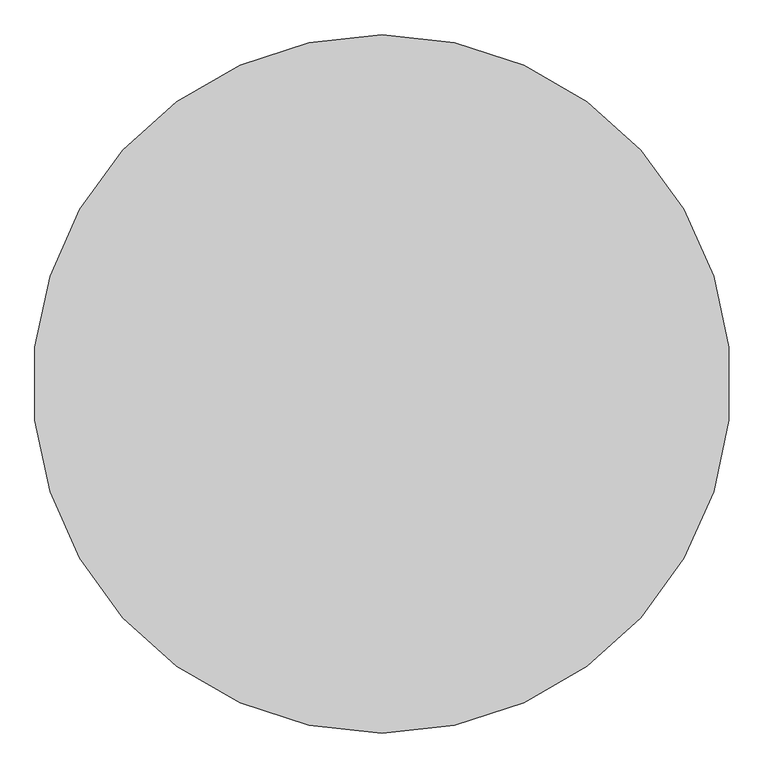
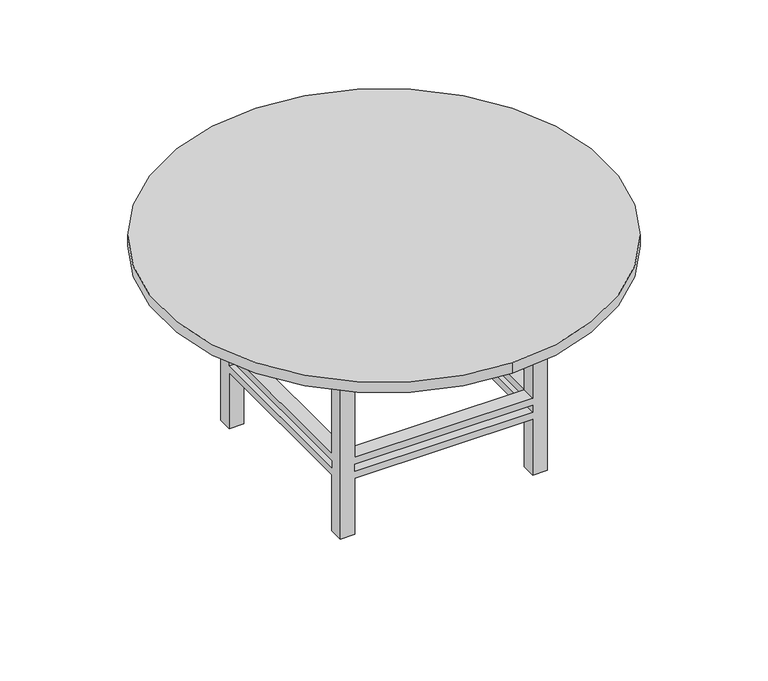
"""IFC4 building model written with IfcOpenShell, lengths in millimetres: furniture geometry."""

from ifc_helpers import new_model, si_unit, point, frame, frame_2d, origin, place, context, project, spatial, polyline, circle_curve, trimmed, segment, composite_curve, outline, extrude, faceted_brep, source, transform, mapped, element, save


def furniture_5d7012ae(model_context):
    return source(origin(), model_context, "Body", "SolidModel", [
        faceted_brep([(-201.3680328, -170.9713115, 647.7), (-201.3680328, -120.1713115, 647.7), (-252.1680328, -120.1713115, 647.7), (-252.1680328, -170.9713115, 647.7), (408.7319672, -170.9713115, 647.7), (459.5319672, -170.9713115, 647.7), (459.5319672, -120.1713115, 647.7), (408.7319672, -120.1713115, 647.7), (408.7319672, 540.7286885, 647.7), (408.7319672, 489.9286885, 647.7), (459.5319672, 489.9286885, 647.7), (459.5319672, 540.7286885, 647.7), (-201.3680328, 540.7286885, 647.7), (-252.1680328, 540.7286885, 647.7), (-252.1680328, 489.9286885, 647.7), (-201.3680328, 489.9286885, 647.7), (-201.3680328, -170.9713115, 0.0), (-252.1680328, -170.9713115, 0.0), (-252.1680328, -120.1713115, 0.0), (-201.3680328, -120.1713115, 0.0), (408.7319672, -170.9713115, 0.0), (408.7319672, -120.1713115, 0.0), (459.5319672, -120.1713115, 0.0), (459.5319672, -170.9713115, 0.0), (408.7319672, 540.7286885, 0.0), (459.5319672, 540.7286885, 0.0), (459.5319672, 489.9286885, 0.0), (408.7319672, 489.9286885, 0.0), (-201.3680328, 540.7286885, 0.0), (-201.3680328, 489.9286885, 0.0), (-252.1680328, 489.9286885, 0.0), (-252.1680328, 540.7286885, 0.0), (-201.3680328, -170.9713115, 203.2), (408.7319672, -170.9713115, 203.2), (408.7319672, -170.9713115, 279.4), (-201.3680328, -170.9713115, 279.4), (408.7319672, -170.9713115, 228.6), (-201.3680328, -170.9713115, 228.6), (-201.3680328, -170.9713115, 254.0), (408.7319672, -170.9713115, 254.0), (-252.1680328, -120.1713115, 279.4), (-252.1680328, 489.9286885, 279.4), (-252.1680328, 489.9286885, 203.2), (-252.1680328, -120.1713115, 203.2), (-252.1680328, -120.1713115, 228.6), (-252.1680328, 489.9286885, 228.6), (-252.1680328, 489.9286885, 254.0), (-252.1680328, -120.1713115, 254.0), (-201.3680328, -120.1713115, 254.0), (-201.3680328, -120.1713115, 228.6), (-201.3680328, -120.1713115, 203.2), (-201.3680328, -120.1713115, 279.4), (408.7319672, -120.1713115, 254.0), (408.7319672, -120.1713115, 228.6), (408.7319672, -120.1713115, 203.2), (408.7319672, -120.1713115, 279.4), (459.5319672, -120.1713115, 203.2), (459.5319672, -120.1713115, 254.0), (459.5319672, -120.1713115, 228.6), (459.5319672, -120.1713115, 279.4), (459.5319672, 489.9286885, 203.2), (459.5319672, 489.9286885, 279.4), (459.5319672, 489.9286885, 228.6), (459.5319672, 489.9286885, 254.0), (408.7319672, 540.7286885, 203.2), (-201.3680328, 540.7286885, 203.2), (-201.3680328, 540.7286885, 279.4), (408.7319672, 540.7286885, 279.4), (-201.3680328, 540.7286885, 228.6), (408.7319672, 540.7286885, 228.6), (408.7319672, 540.7286885, 254.0), (-201.3680328, 540.7286885, 254.0), (408.7319672, 489.9286885, 254.0), (408.7319672, 489.9286885, 228.6), (408.7319672, 489.9286885, 203.2), (408.7319672, 489.9286885, 279.4), (-201.3680328, 489.9286885, 254.0), (-201.3680328, 489.9286885, 228.6), (-201.3680328, 489.9286885, 203.2), (-201.3680328, 489.9286885, 279.4)], [[[0, 1, 2, 3]], [[4, 5, 6, 7]], [[8, 9, 10, 11]], [[12, 13, 14, 15]], [[16, 17, 18, 19]], [[20, 21, 22, 23]], [[24, 25, 26, 27]], [[28, 29, 30, 31]], [[3, 17, 16, 32, 33, 20, 23, 5, 4, 34, 35, 0], [36, 37, 38, 39]], [[2, 40, 41, 14, 13, 31, 30, 42, 43, 18, 17, 3], [44, 45, 46, 47]], [[44, 47, 48, 49]], [[18, 43, 50, 19]], [[1, 51, 40, 2]], [[0, 35, 51, 1]], [[19, 50, 32, 16]], [[49, 48, 38, 37]], [[36, 39, 52, 53]], [[20, 33, 54, 21]], [[7, 55, 34, 4]], [[21, 54, 56, 22]], [[53, 52, 57, 58]], [[6, 59, 55, 7]], [[23, 22, 56, 60, 26, 25, 11, 10, 61, 59, 6, 5], [62, 58, 57, 63]], [[25, 24, 64, 65, 28, 31, 13, 12, 66, 67, 8, 11], [68, 69, 70, 71]], [[62, 63, 72, 73]], [[26, 60, 74, 27]], [[9, 75, 61, 10]], [[8, 67, 75, 9]], [[27, 74, 64, 24]], [[73, 72, 70, 69]], [[68, 71, 76, 77]], [[28, 65, 78, 29]], [[15, 79, 66, 12]], [[14, 41, 79, 15]], [[29, 78, 42, 30]], [[77, 76, 46, 45]], [[49, 37, 36, 53]], [[53, 58, 62, 73]], [[73, 69, 68, 77]], [[77, 45, 44, 49]], [[50, 43, 42, 78]], [[54, 33, 32, 50]], [[74, 60, 56, 54]], [[78, 65, 64, 74]], [[73, 74, 54, 53]], [[77, 78, 74, 73]], [[49, 50, 78, 77]], [[53, 54, 50, 49]], [[51, 35, 34, 55]], [[55, 59, 61, 75]], [[75, 67, 66, 79]], [[79, 41, 40, 51]], [[48, 47, 46, 76]], [[52, 39, 38, 48]], [[72, 63, 57, 52]], [[76, 71, 70, 72]], [[75, 72, 52, 55]], [[79, 76, 72, 75]], [[51, 48, 76, 79]], [[55, 52, 48, 51]]]),
        extrude(outline(polyline([(484.9319672, -196.3713115), (-277.5680328, -196.3713115), (-277.5680328, 566.1286885), (484.9319672, 566.1286885), (484.9319672, -196.3713115)]), holes=[polyline([(459.5319672, -170.9713115), (459.5319672, 540.7286885), (-252.1680328, 540.7286885), (-252.1680328, -170.9713115), (459.5319672, -170.9713115)])]), frame((0.0, 0.0, 647.7), z_axis=(0.0, 0.0, 1.0), x_axis=(1.0, 0.0, 0.0)), (0.0, 0.0, 1.0), 76.2),
        extrude(outline(composite_curve([segment(trimmed(circle_curve(frame_2d((103.6819672, 184.8786885)), 762.5), [point((103.6819672, 947.3786885))], [point((103.6819672, -577.6213115))], False, "CARTESIAN"), True, "CONTINUOUS"), segment(trimmed(circle_curve(frame_2d((103.6819672, 184.8786885)), 762.5), [point((103.6819672, -577.6213115))], [point((103.6819672, 947.3786885))], False, "CARTESIAN"), True, "CONTINUOUS")], self_intersect=False)), frame((0.0, 0.0, 723.9), z_axis=(0.0, 0.0, 1.0), x_axis=(1.0, 0.0, 0.0)), (0.0, 0.0, 1.0), 38.1),
    ])


if __name__ == "__main__":
    model = new_model("IFC4")
    model_context = context("Model", 3, world=origin())
    ifc_project = project(units=[si_unit("LENGTHUNIT", "METRE", prefix="MILLI")], contexts=[model_context])
    site = spatial("IfcSite", under=ifc_project)
    building = spatial("IfcBuilding", under=site)
    placement = place(None, origin())
    furniture_shape = furniture_5d7012ae(model_context)
    element("IfcFurniture", 1, at=placement, inside=building, context=model_context, shape_type="MappedRepresentation", body=[
        mapped(furniture_shape, transform((0.0, 0.0, 0.0), x_axis=(1.0, 0.0, 0.0), y_axis=(0.0, 1.0, 0.0), z_axis=(0.0, 0.0, 1.0))),
    ])
    save(model, "model.ifc")
